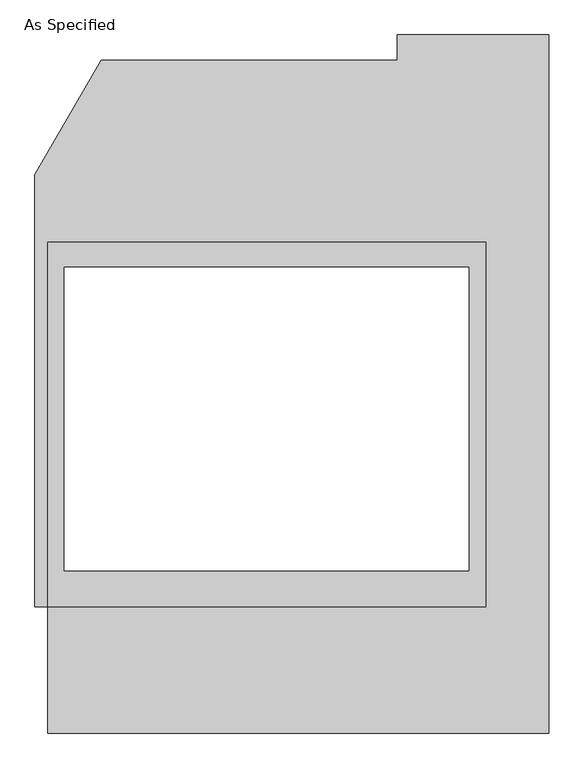
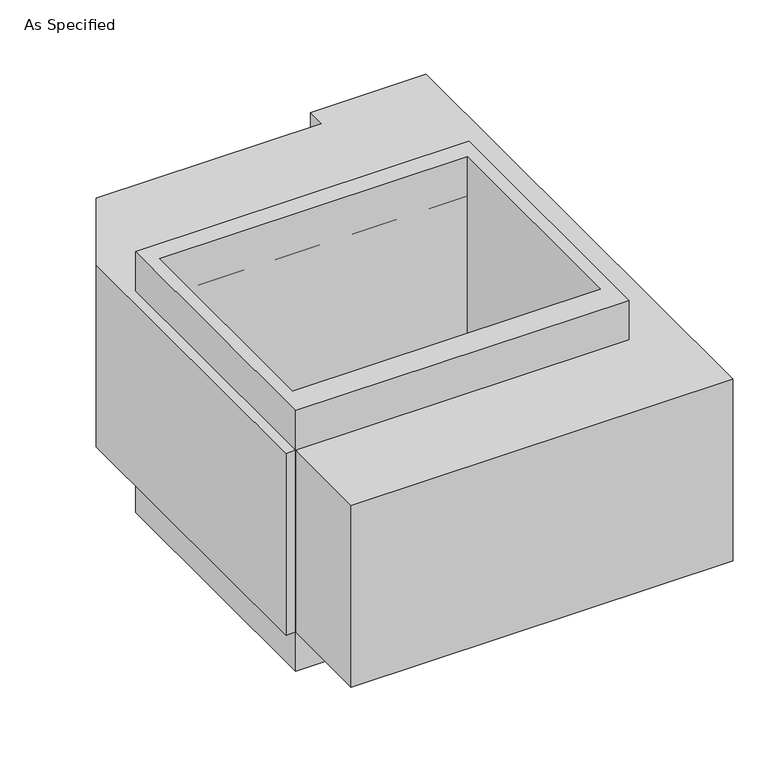
"""IFC4 building model written with IfcOpenShell, lengths in millimetres: proxy geometry, As Specified."""

from ifc_helpers import new_model, si_unit, frame, origin, place, context, project, spatial, polyline, outline, extrude, source, transform, mapped, element, save


def as_specified_d66ad529(model_context):
    return source(origin(), model_context, "Body", "SweptSolid", [
        extrude(outline(polyline([(660.4, 465.4351562), (660.4, -633.1148438), (-660.4, -633.1148438), (-660.4, 465.4351562), (660.4, 465.4351562)]), holes=[polyline([(-609.6, 389.2748437), (-609.6, -525.1251563), (609.6, -525.1251563), (609.6, 389.2748437), (-609.6, 389.2748437)])]), frame((0.0, 0.0, -952.5), z_axis=(0.0, 0.0, 1.0), x_axis=(1.0, 0.0, 0.0)), (0.0, 0.0, 1.0), 1092.2),
        extrude(outline(polyline([(-660.4, -1014.1148438), (-660.4, -633.1148438), (-698.5, -633.1148438), (-698.5, 668.6748437), (-499.060123, 1014.1148437), (393.7, 1014.1148437), (393.7, 1090.2751562), (850.9, 1090.2751562), (850.9, -1014.1148438), (-660.4, -1014.1148438)]), holes=[polyline([(609.6, -525.1251563), (609.6, 389.2748437), (-609.6, 389.2748437), (-609.6, -525.1251563), (609.6, -525.1251563)])]), frame((0.0, 0.0, -787.4), z_axis=(0.0, 0.0, 1.0), x_axis=(1.0, 0.0, 0.0)), (0.0, 0.0, 1.0), 762.0),
    ])


if __name__ == "__main__":
    model = new_model("IFC4")
    model_context = context("Model", 3, world=origin())
    ifc_project = project(units=[si_unit("LENGTHUNIT", "METRE", prefix="MILLI")], contexts=[model_context])
    site = spatial("IfcSite", under=ifc_project)
    building = spatial("IfcBuilding", under=site)
    placement = place(None, origin())
    as_specified_shape = as_specified_d66ad529(model_context)
    element("IfcBuildingElementProxy", 1, Name="As Specified", ObjectType="As Specified", at=placement, inside=building, context=model_context, shape_type="MappedRepresentation", body=[
        mapped(as_specified_shape, transform((0.0, 0.0, 0.0), x_axis=(1.0, 0.0, 0.0), y_axis=(0.0, 1.0, 0.0), z_axis=(0.0, 0.0, 1.0))),
    ])
    save(model, "model.ifc")
